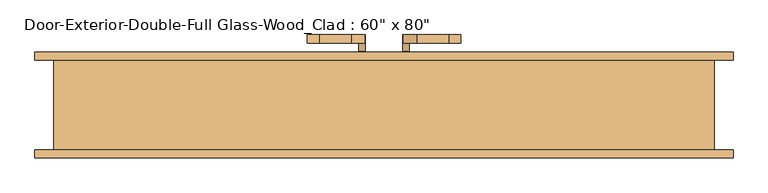
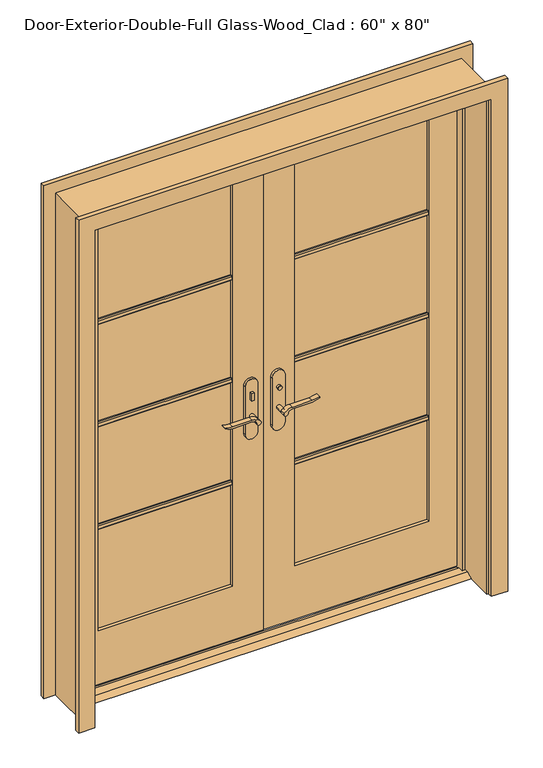
"""IFC4 building model written with IfcOpenShell, lengths in millimetres: door geometry."""

from ifc_helpers import new_model, si_unit, point, frame, frame_2d, origin, place, context, project, spatial, polyline, circle_curve, trimmed, segment, composite_curve, outline, extrude, faceted_brep, source, transform, mapped, element, save


def door_2a83e224(model_context):
    return source(origin(), model_context, "Body", "SolidModel", [
        extrude(outline(polyline([(19.05, 12.7), (53.975, 12.7), (79.375, 0.0), (-6.35, 0.0), (19.05, 12.7)])), frame((-762.0, 0.0, 0.0), z_axis=(1.0, 0.0, 0.0), x_axis=(0.0, 1.0, 0.0)), (0.0, 0.0, 1.0), 1524.0),
        extrude(outline(polyline([(-47.4019111, 49.05625), (-57.4019111, 49.05625), (-57.4019111, 59.05625), (-47.4019111, 59.05625), (-47.4019111, 49.05625)])), frame((0.0, 0.0, 981.9), z_axis=(0.0, 0.0, 1.0), x_axis=(1.0, 0.0, 0.0)), (0.0, 0.0, 1.0), 30.0),
        extrude(outline(composite_curve([segment(trimmed(circle_curve(frame_2d((996.9, -52.4019111)), 8.0), [point((996.9, -60.4019111))], [point((996.9, -44.4019111))], False, "CARTESIAN"), True, "CONTINUOUS"), segment(trimmed(circle_curve(frame_2d((996.9, -52.4019111)), 8.0), [point((996.9, -44.4019111))], [point((996.9, -60.4019111))], False, "CARTESIAN"), True, "CONTINUOUS")], self_intersect=False)), frame((0.0, 113.98125, 0.0), z_axis=(0.0, 1.0, 0.0), x_axis=(0.0, 0.0, 1.0)), (0.0, 0.0, 1.0), 10.0),
        extrude(outline(composite_curve([segment(trimmed(circle_curve(frame_2d((897.1555521, -76.0694241)), 37.2832219), [point((919.0523287, -45.8937749))], [point((934.4, -77.7693445))], False, "CARTESIAN"), True, "CONTINUOUS"), segment(polyline([(934.4, -77.7693445), (934.4, -154.045502)]), True, "CONTINUOUS"), segment(trimmed(circle_curve(frame_2d((1017.6850638, -153.9791202)), 83.2850902), [point((934.4, -154.045502))], [point((939.4, -182.4019111))], True, "CARTESIAN"), True, "CONTINUOUS"), segment(polyline([(939.4, -182.4019111), (936.6135558, -182.4019111)]), True, "CONTINUOUS"), segment(trimmed(circle_curve(frame_2d((986.6709207, -150.4622499)), 59.3791355), [point((936.6135558, -182.4019111))], [point((927.4, -154.045502))], False, "CARTESIAN"), True, "CONTINUOUS"), segment(polyline([(927.4, -154.045502), (927.4, -77.7881013)]), True, "CONTINUOUS"), segment(trimmed(circle_curve(frame_2d((909.2738613, -77.7881013)), 18.1261387), [point((927.4, -77.7881013))], [point((914.4, -60.4019111))], True, "CARTESIAN"), True, "CONTINUOUS"), segment(trimmed(circle_curve(frame_2d((914.4, -52.4019111)), 8.0), [point((914.4, -60.4019111))], [point((919.0523287, -45.8937749))], False, "CARTESIAN"), True, "CONTINUOUS")], self_intersect=False)), frame((0.0, 9.05625, 0.0), z_axis=(0.0, 1.0, 0.0), x_axis=(0.0, 0.0, 1.0)), (0.0, 0.0, 1.0), 20.0),
        extrude(outline(composite_curve([segment(trimmed(circle_curve(frame_2d((914.4, -52.4019111)), 8.0), [point((914.3999903, -60.4019111))], [point((919.0523287, -45.8937749))], False, "CARTESIAN"), True, "CONTINUOUS"), segment(trimmed(circle_curve(frame_2d((897.1555521, -76.0694241)), 37.2832219), [point((919.0523287, -45.8937749))], [point((934.4, -77.7693445))], False, "CARTESIAN"), True, "CONTINUOUS"), segment(polyline([(934.4, -77.7693445), (934.4, -154.045502)]), True, "CONTINUOUS"), segment(trimmed(circle_curve(frame_2d((1017.6850638, -153.9791202)), 83.2850902), [point((934.4, -154.045502))], [point((939.4, -182.4019111))], True, "CARTESIAN"), True, "CONTINUOUS"), segment(polyline([(939.4, -182.4019111), (936.6135558, -182.4019111)]), True, "CONTINUOUS"), segment(trimmed(circle_curve(frame_2d((986.6709207, -150.4622499)), 59.3791355), [point((936.6135558, -182.4019111))], [point((927.4, -154.045502))], False, "CARTESIAN"), True, "CONTINUOUS"), segment(polyline([(927.4, -154.045502), (927.4, -77.788099)]), True, "CONTINUOUS"), segment(trimmed(circle_curve(frame_2d((909.2738682, -77.788099)), 18.1261318), [point((927.4, -77.788099))], [point((914.3999903, -60.4019111))], True, "CARTESIAN"), True, "CONTINUOUS")], self_intersect=False)), frame((0.0, 143.98125, 0.0), z_axis=(0.0, 1.0, 0.0), x_axis=(0.0, 0.0, 1.0)), (0.0, 0.0, 1.0), 20.0),
        extrude(outline(composite_curve([segment(trimmed(circle_curve(frame_2d((914.4, -52.4019111)), 8.0), [point((914.4, -60.4019111))], [point((914.4, -44.4019111))], False, "CARTESIAN"), True, "CONTINUOUS"), segment(trimmed(circle_curve(frame_2d((914.4, -52.4019111)), 8.0), [point((914.4, -44.4019111))], [point((914.4, -60.4019111))], False, "CARTESIAN"), True, "CONTINUOUS")], self_intersect=False)), frame((0.0, 29.05625, 0.0), z_axis=(0.0, 1.0, 0.0), x_axis=(0.0, 0.0, 1.0)), (0.0, 0.0, 1.0), 30.0),
        extrude(outline(composite_curve([segment(trimmed(circle_curve(frame_2d((914.4, -52.4019111)), 8.0), [point((914.4, -60.4019111))], [point((914.4, -44.4019111))], False, "CARTESIAN"), True, "CONTINUOUS"), segment(trimmed(circle_curve(frame_2d((914.4, -52.4019111)), 8.0), [point((914.4, -44.4019111))], [point((914.4, -60.4019111))], False, "CARTESIAN"), True, "CONTINUOUS")], self_intersect=False)), frame((0.0, 113.98125, 0.0), z_axis=(0.0, 1.0, 0.0), x_axis=(0.0, 0.0, 1.0)), (0.0, 0.0, 1.0), 30.0),
        extrude(outline(composite_curve([segment(polyline([(844.4, -27.4019111), (1039.4, -27.4019111)]), True, "CONTINUOUS"), segment(trimmed(circle_curve(frame_2d((1039.4, -52.4019111)), 25.0), [point((1039.4, -27.4019111))], [point((1039.4, -77.4019111))], False, "CARTESIAN"), True, "CONTINUOUS"), segment(polyline([(1039.4, -77.4019111), (844.4, -77.4019111)]), True, "CONTINUOUS"), segment(trimmed(circle_curve(frame_2d((844.4, -52.4019111)), 25.0), [point((844.4, -77.4019111))], [point((844.4, -27.4019111))], False, "CARTESIAN"), True, "CONTINUOUS")], self_intersect=False)), frame((0.0, 59.05625, 0.0), z_axis=(0.0, 1.0, 0.0), x_axis=(0.0, 0.0, 1.0)), (0.0, 0.0, 1.0), 10.0),
        extrude(outline(composite_curve([segment(polyline([(844.4, -27.4019111), (1039.4, -27.4019111)]), True, "CONTINUOUS"), segment(trimmed(circle_curve(frame_2d((1039.4, -52.4019111)), 25.0), [point((1039.4, -27.4019111))], [point((1039.4, -77.4019111))], False, "CARTESIAN"), True, "CONTINUOUS"), segment(polyline([(1039.4, -77.4019111), (844.4, -77.4019111)]), True, "CONTINUOUS"), segment(trimmed(circle_curve(frame_2d((844.4, -52.4019111)), 25.0), [point((844.4, -77.4019111))], [point((844.4, -27.4019111))], False, "CARTESIAN"), True, "CONTINUOUS")], self_intersect=False)), frame((0.0, 103.98125, 0.0), z_axis=(0.0, 1.0, 0.0), x_axis=(0.0, 0.0, 1.0)), (0.0, 0.0, 1.0), 10.0),
        extrude(outline(polyline([(47.3875, 123.98125), (57.3875, 123.98125), (57.3875, 113.98125), (47.3875, 113.98125), (47.3875, 123.98125)])), frame((0.0, 0.0, 981.9), z_axis=(0.0, 0.0, 1.0), x_axis=(1.0, 0.0, 0.0)), (0.0, 0.0, 1.0), 30.0),
        extrude(outline(composite_curve([segment(trimmed(circle_curve(frame_2d((996.9, 52.3875)), 8.0), [point((996.9, 60.3875))], [point((996.9, 44.3875))], False, "CARTESIAN"), True, "CONTINUOUS"), segment(trimmed(circle_curve(frame_2d((996.9, 52.3875)), 8.0), [point((996.9, 44.3875))], [point((996.9, 60.3875))], False, "CARTESIAN"), True, "CONTINUOUS")], self_intersect=False)), frame((0.0, 49.05625, 0.0), z_axis=(0.0, 1.0, 0.0), x_axis=(0.0, 0.0, 1.0)), (0.0, 0.0, 1.0), 10.0),
        extrude(outline(composite_curve([segment(trimmed(circle_curve(frame_2d((914.4, 52.3875)), 8.0), [point((919.0523287, 45.8793637))], [point((914.4, 60.3875))], False, "CARTESIAN"), True, "CONTINUOUS"), segment(trimmed(circle_curve(frame_2d((909.2738613, 77.7736901)), 18.1261387), [point((914.4, 60.3875))], [point((927.4, 77.7736901))], True, "CARTESIAN"), True, "CONTINUOUS"), segment(polyline([(927.4, 77.7736901), (927.4, 154.0310909)]), True, "CONTINUOUS"), segment(trimmed(circle_curve(frame_2d((986.6709207, 150.4478388)), 59.3791355), [point((927.4, 154.0310909))], [point((936.6135558, 182.3875))], False, "CARTESIAN"), True, "CONTINUOUS"), segment(polyline([(936.6135558, 182.3875), (939.4, 182.3875)]), True, "CONTINUOUS"), segment(trimmed(circle_curve(frame_2d((1017.6850638, 153.9647091)), 83.2850902), [point((939.4, 182.3875))], [point((934.4, 154.0310909))], True, "CARTESIAN"), True, "CONTINUOUS"), segment(polyline([(934.4, 154.0310909), (934.4, 77.7549333)]), True, "CONTINUOUS"), segment(trimmed(circle_curve(frame_2d((897.1555521, 76.0550129)), 37.2832219), [point((934.4, 77.7549333))], [point((919.0523287, 45.8793637))], False, "CARTESIAN"), True, "CONTINUOUS")], self_intersect=False)), frame((0.0, 143.98125, 0.0), z_axis=(0.0, 1.0, 0.0), x_axis=(0.0, 0.0, 1.0)), (0.0, 0.0, 1.0), 20.0),
        extrude(outline(composite_curve([segment(trimmed(circle_curve(frame_2d((909.2738682, 77.7736878)), 18.1261318), [point((914.3999903, 60.3875))], [point((927.4, 77.7736878))], True, "CARTESIAN"), True, "CONTINUOUS"), segment(polyline([(927.4, 77.7736878), (927.4, 154.0310909)]), True, "CONTINUOUS"), segment(trimmed(circle_curve(frame_2d((986.6709207, 150.4478388)), 59.3791355), [point((927.4, 154.0310909))], [point((936.6135558, 182.3875))], False, "CARTESIAN"), True, "CONTINUOUS"), segment(polyline([(936.6135558, 182.3875), (939.4, 182.3875)]), True, "CONTINUOUS"), segment(trimmed(circle_curve(frame_2d((1017.6850638, 153.9647091)), 83.2850902), [point((939.4, 182.3875))], [point((934.4, 154.0310909))], True, "CARTESIAN"), True, "CONTINUOUS"), segment(polyline([(934.4, 154.0310909), (934.4, 77.7549333)]), True, "CONTINUOUS"), segment(trimmed(circle_curve(frame_2d((897.1555521, 76.0550129)), 37.2832219), [point((934.4, 77.7549333))], [point((919.0523287, 45.8793637))], False, "CARTESIAN"), True, "CONTINUOUS"), segment(trimmed(circle_curve(frame_2d((914.4, 52.3875)), 8.0), [point((919.0523287, 45.8793637))], [point((914.3999903, 60.3875))], False, "CARTESIAN"), True, "CONTINUOUS")], self_intersect=False)), frame((0.0, 9.05625, 0.0), z_axis=(0.0, 1.0, 0.0), x_axis=(0.0, 0.0, 1.0)), (0.0, 0.0, 1.0), 20.0),
        extrude(outline(composite_curve([segment(trimmed(circle_curve(frame_2d((914.4, 52.3875)), 8.0), [point((914.4, 60.3875))], [point((914.4, 44.3875))], False, "CARTESIAN"), True, "CONTINUOUS"), segment(trimmed(circle_curve(frame_2d((914.4, 52.3875)), 8.0), [point((914.4, 44.3875))], [point((914.4, 60.3875))], False, "CARTESIAN"), True, "CONTINUOUS")], self_intersect=False)), frame((0.0, 113.98125, 0.0), z_axis=(0.0, 1.0, 0.0), x_axis=(0.0, 0.0, 1.0)), (0.0, 0.0, 1.0), 30.0),
        extrude(outline(composite_curve([segment(trimmed(circle_curve(frame_2d((914.4, 52.3875)), 8.0), [point((914.4, 60.3875))], [point((914.4, 44.3875))], False, "CARTESIAN"), True, "CONTINUOUS"), segment(trimmed(circle_curve(frame_2d((914.4, 52.3875)), 8.0), [point((914.4, 44.3875))], [point((914.4, 60.3875))], False, "CARTESIAN"), True, "CONTINUOUS")], self_intersect=False)), frame((0.0, 29.05625, 0.0), z_axis=(0.0, 1.0, 0.0), x_axis=(0.0, 0.0, 1.0)), (0.0, 0.0, 1.0), 30.0),
        extrude(outline(composite_curve([segment(trimmed(circle_curve(frame_2d((844.4, 52.3875)), 25.0), [point((844.4, 27.3875))], [point((844.4, 77.3875))], False, "CARTESIAN"), True, "CONTINUOUS"), segment(polyline([(844.4, 77.3875), (1039.4, 77.3875)]), True, "CONTINUOUS"), segment(trimmed(circle_curve(frame_2d((1039.4, 52.3875)), 25.0), [point((1039.4, 77.3875))], [point((1039.4, 27.3875))], False, "CARTESIAN"), True, "CONTINUOUS"), segment(polyline([(1039.4, 27.3875), (844.4, 27.3875)]), True, "CONTINUOUS")], self_intersect=False)), frame((0.0, 103.98125, 0.0), z_axis=(0.0, 1.0, 0.0), x_axis=(0.0, 0.0, 1.0)), (0.0, 0.0, 1.0), 10.0),
        extrude(outline(composite_curve([segment(trimmed(circle_curve(frame_2d((844.4, 52.3875)), 25.0), [point((844.4, 27.3875))], [point((844.4, 77.3875))], False, "CARTESIAN"), True, "CONTINUOUS"), segment(polyline([(844.4, 77.3875), (1039.4, 77.3875)]), True, "CONTINUOUS"), segment(trimmed(circle_curve(frame_2d((1039.4, 52.3875)), 25.0), [point((1039.4, 77.3875))], [point((1039.4, 27.3875))], False, "CARTESIAN"), True, "CONTINUOUS"), segment(polyline([(1039.4, 27.3875), (844.4, 27.3875)]), True, "CONTINUOUS")], self_intersect=False)), frame((0.0, 59.05625, 0.0), z_axis=(0.0, 1.0, 0.0), x_axis=(0.0, 0.0, 1.0)), (0.0, 0.0, 1.0), 10.0),
        extrude(outline(polyline([(83.02625, 1502.171875), (83.02625, 1483.121875), (76.67625, 1483.121875), (73.50125, 1486.296875), (73.50125, 1498.996875), (76.67625, 1502.171875), (83.02625, 1502.171875)])), frame((120.65, 0.0, 0.0), z_axis=(1.0, 0.0, 0.0), x_axis=(0.0, 1.0, 0.0)), (0.0, 0.0, 1.0), 520.7),
        extrude(outline(polyline([(83.02625, 1081.88125), (83.02625, 1062.83125), (76.67625, 1062.83125), (73.50125, 1066.00625), (73.50125, 1078.70625), (76.67625, 1081.88125), (83.02625, 1081.88125)])), frame((120.65, 0.0, 0.0), z_axis=(1.0, 0.0, 0.0), x_axis=(0.0, 1.0, 0.0)), (0.0, 0.0, 1.0), 520.7),
        extrude(outline(polyline([(83.02625, 661.590625), (83.02625, 642.540625), (76.67625, 642.540625), (73.50125, 645.715625), (73.50125, 658.415625), (76.67625, 661.590625), (83.02625, 661.590625)])), frame((120.65, 0.0, 0.0), z_axis=(1.0, 0.0, 0.0), x_axis=(0.0, 1.0, 0.0)), (0.0, 0.0, 1.0), 520.7),
        extrude(outline(polyline([(90.01125, 1502.171875), (96.36125, 1502.171875), (99.53625, 1498.996875), (99.53625, 1486.296875), (96.36125, 1483.121875), (90.01125, 1483.121875), (90.01125, 1502.171875)])), frame((-641.35, 0.0, 0.0), z_axis=(1.0, 0.0, 0.0), x_axis=(0.0, 1.0, 0.0)), (0.0, 0.0, 1.0), 520.7),
        extrude(outline(polyline([(90.01125, 1081.88125), (96.36125, 1081.88125), (99.53625, 1078.70625), (99.53625, 1066.00625), (96.36125, 1062.83125), (90.01125, 1062.83125), (90.01125, 1081.88125)])), frame((-641.35, 0.0, 0.0), z_axis=(1.0, 0.0, 0.0), x_axis=(0.0, 1.0, 0.0)), (0.0, 0.0, 1.0), 520.7),
        extrude(outline(polyline([(90.01125, 661.590625), (96.36125, 661.590625), (99.53625, 658.415625), (99.53625, 645.715625), (96.36125, 642.540625), (90.01125, 642.540625), (90.01125, 661.590625)])), frame((-641.35, 0.0, 0.0), z_axis=(1.0, 0.0, 0.0), x_axis=(0.0, 1.0, 0.0)), (0.0, 0.0, 1.0), 520.7),
        extrude(outline(polyline([(90.01125, 1502.171875), (96.36125, 1502.171875), (99.53625, 1498.996875), (99.53625, 1486.296875), (96.36125, 1483.121875), (90.01125, 1483.121875), (90.01125, 1502.171875)])), frame((120.65, 0.0, 0.0), z_axis=(1.0, 0.0, 0.0), x_axis=(0.0, 1.0, 0.0)), (0.0, 0.0, 1.0), 520.7),
        extrude(outline(polyline([(90.01125, 1081.88125), (96.36125, 1081.88125), (99.53625, 1078.70625), (99.53625, 1066.00625), (96.36125, 1062.83125), (90.01125, 1062.83125), (90.01125, 1081.88125)])), frame((120.65, 0.0, 0.0), z_axis=(1.0, 0.0, 0.0), x_axis=(0.0, 1.0, 0.0)), (0.0, 0.0, 1.0), 520.7),
        extrude(outline(polyline([(90.01125, 661.590625), (96.36125, 661.590625), (99.53625, 658.415625), (99.53625, 645.715625), (96.36125, 642.540625), (90.01125, 642.540625), (90.01125, 661.590625)])), frame((120.65, 0.0, 0.0), z_axis=(1.0, 0.0, 0.0), x_axis=(0.0, 1.0, 0.0)), (0.0, 0.0, 1.0), 520.7),
        extrude(outline(polyline([(83.02625, 1502.171875), (83.02625, 1483.121875), (76.67625, 1483.121875), (73.50125, 1486.296875), (73.50125, 1498.996875), (76.67625, 1502.171875), (83.02625, 1502.171875)])), frame((-641.35, 0.0, 0.0), z_axis=(1.0, 0.0, 0.0), x_axis=(0.0, 1.0, 0.0)), (0.0, 0.0, 1.0), 520.7),
        extrude(outline(polyline([(83.02625, 1081.88125), (83.02625, 1062.83125), (76.67625, 1062.83125), (73.50125, 1066.00625), (73.50125, 1078.70625), (76.67625, 1081.88125), (83.02625, 1081.88125)])), frame((-641.35, 0.0, 0.0), z_axis=(1.0, 0.0, 0.0), x_axis=(0.0, 1.0, 0.0)), (0.0, 0.0, 1.0), 520.7),
        extrude(outline(polyline([(83.02625, 661.590625), (83.02625, 642.540625), (76.67625, 642.540625), (73.50125, 645.715625), (73.50125, 658.415625), (76.67625, 661.590625), (83.02625, 661.590625)])), frame((-641.35, 0.0, 0.0), z_axis=(1.0, 0.0, 0.0), x_axis=(0.0, 1.0, 0.0)), (0.0, 0.0, 1.0), 520.7),
        extrude(outline(polyline([(0.0, 768.35), (0.0, 831.85), (2101.85, 831.85), (2101.85, -831.85), (0.0, -831.85), (0.0, -768.35), (2038.35, -768.35), (2038.35, 768.35), (0.0, 768.35)])), frame((0.0, 103.98125, 0.0), z_axis=(0.0, 1.0, 0.0), x_axis=(0.0, 0.0, 1.0)), (0.0, 0.0, 1.0), 19.05),
        extrude(outline(polyline([(0.0, 768.35), (0.0, 831.85), (2101.85, 831.85), (2101.85, -831.85), (0.0, -831.85), (0.0, -768.35), (2038.35, -768.35), (2038.35, 768.35), (0.0, 768.35)])), frame((0.0, -129.38125, 0.0), z_axis=(0.0, 1.0, 0.0), x_axis=(0.0, 0.0, 1.0)), (0.0, 0.0, 1.0), 19.05),
        extrude(outline(polyline([(12.7, 762.0), (2032.0, 762.0), (2032.0, 1.5875), (12.7, 1.5875), (12.7, 762.0)]), holes=[polyline([(1912.9375, 120.65), (1912.9375, 641.35), (231.775, 641.35), (231.775, 120.65), (1912.9375, 120.65)])]), frame((0.0, 69.05625, 0.0), z_axis=(0.0, 1.0, 0.0), x_axis=(0.0, 0.0, 1.0)), (0.0, 0.0, 1.0), 34.925),
        extrude(outline(polyline([(2032.0, -762.0), (12.7, -762.0), (12.7, -1.6019111), (2032.0, -1.6019111), (2032.0, -762.0)]), holes=[polyline([(231.775, -641.35), (1912.9375, -641.35), (1912.9375, -120.65), (231.775, -120.65), (231.775, -641.35)])]), frame((0.0, 69.05625, 0.0), z_axis=(0.0, 1.0, 0.0), x_axis=(0.0, 0.0, 1.0)), (0.0, 0.0, 1.0), 34.925),
        faceted_brep([(787.4, 103.98125, 0.0), (787.4, -110.33125, 0.0), (762.0, -110.33125, 0.0), (762.0, 34.13125, 0.0), (749.3, 34.13125, 0.0), (749.3, 69.05625, 0.0), (762.0, 69.05625, 0.0), (762.0, 103.98125, 0.0), (787.4, 103.98125, 2057.4), (787.4, -110.33125, 2057.4), (-787.4, -110.33125, 2057.4), (-787.4, -110.33125, 0.0), (-762.0, -110.33125, 0.0), (-762.0, -110.33125, 2032.0), (762.0, -110.33125, 2032.0), (762.0, 34.13125, 2032.0), (-762.0, 34.13125, 2032.0), (-762.0, 34.13125, 0.0), (-749.3, 34.13125, 0.0), (-749.3, 34.13125, 2019.3), (749.3, 34.13125, 2019.3), (749.3, 69.05625, 2019.3), (1.5875, 69.05625, 2019.3), (-1.6019111, 69.05625, 2019.3), (-749.3, 69.05625, 2019.3), (-749.3, 69.05625, 0.0), (-762.0, 69.05625, 0.0), (-762.0, 69.05625, 2032.0), (-1.6019111, 69.05625, 2032.0), (1.5875, 69.05625, 2032.0), (762.0, 69.05625, 2032.0), (762.0, 103.98125, 2032.0), (1.5875, 103.98125, 2032.0), (-1.6019111, 103.98125, 2032.0), (-762.0, 103.98125, 2032.0), (-762.0, 103.98125, 0.0), (-787.4, 103.98125, 0.0), (-787.4, 103.98125, 2057.4)], [[[0, 1, 2, 3, 4, 5, 6, 7]], [[1, 0, 8, 9]], [[2, 1, 9, 10, 11, 12, 13, 14]], [[3, 2, 14, 15]], [[4, 3, 15, 16, 17, 18, 19, 20]], [[5, 4, 20, 21]], [[6, 5, 21, 22, 23, 24, 25, 26, 27, 28, 29, 30]], [[7, 6, 30, 31]], [[0, 7, 31, 32, 33, 34, 35, 36, 37, 8]], [[9, 8, 37, 10]], [[14, 13, 16, 15]], [[20, 19, 24, 23, 22, 21]], [[31, 30, 29, 28, 27, 34, 33, 32]], [[12, 11, 36, 35, 26, 25, 18, 17]], [[11, 10, 37, 36]], [[13, 12, 17, 16]], [[19, 18, 25, 24]], [[27, 26, 35, 34]]]),
        extrude(outline(polyline([(641.35, 83.02625), (120.65, 83.02625), (120.65, 90.01125), (641.35, 90.01125), (641.35, 83.02625)])), frame((0.0, 0.0, 231.775), z_axis=(0.0, 0.0, 1.0), x_axis=(1.0, 0.0, 0.0)), (0.0, 0.0, 1.0), 1681.1625),
        extrude(outline(polyline([(-120.65, 83.02625), (-641.35, 83.02625), (-641.35, 90.01125), (-120.65, 90.01125), (-120.65, 83.02625)])), frame((0.0, 0.0, 231.775), z_axis=(0.0, 0.0, 1.0), x_axis=(1.0, 0.0, 0.0)), (0.0, 0.0, 1.0), 1681.1625),
    ])


if __name__ == "__main__":
    model = new_model("IFC4")
    model_context = context("Model", 3, world=origin())
    ifc_project = project(units=[si_unit("LENGTHUNIT", "METRE", prefix="MILLI")], contexts=[model_context])
    site = spatial("IfcSite", under=ifc_project)
    building = spatial("IfcBuilding", under=site)
    placement = place(None, origin())
    door_shape = door_2a83e224(model_context)
    element("IfcDoor", 1, ObjectType="Door-Exterior-Double-Full Glass-Wood_Clad : 60\" x 80\"", at=placement, inside=building, context=model_context, shape_type="MappedRepresentation", body=[
        mapped(door_shape, transform((0.0, 0.0, 0.0), x_axis=(1.0, 0.0, 0.0), y_axis=(0.0, 1.0, 0.0), z_axis=(0.0, 0.0, 1.0))),
    ])
    save(model, "model.ifc")
